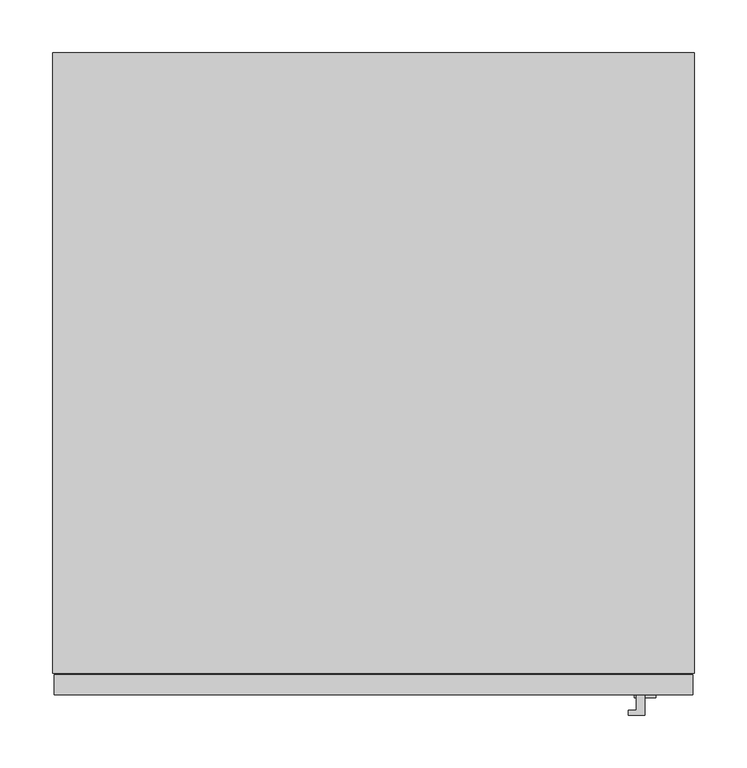
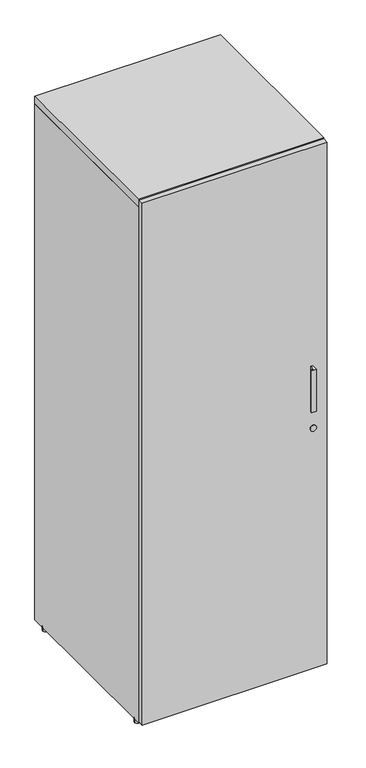
"""IFC4 building model written with IfcOpenShell, lengths in millimetres: furniture geometry."""

from ifc_helpers import new_model, si_unit, point, frame, frame_2d, origin, origin_with_axes, place, context, project, spatial, polyline, circle_curve, trimmed, segment, composite_curve, outline, extrude, source, transform, mapped, element, save


def furniture_5f0cc840(model_context):
    return source(origin(), model_context, "Body", "SweptSolid", [
        extrude(outline(polyline([(562.61, -628.7721736), (546.7096, -628.7721736), (546.7096, -624.332), (554.6598, -624.332), (554.6598, -609.6), (562.61, -609.6), (562.61, -628.7721736)])), frame((0.0, 0.0, 920.75), z_axis=(0.0, 0.0, 1.0), x_axis=(1.0, 0.0, 0.0)), (0.0, 0.0, 1.0), 146.05),
        extrude(outline(composite_curve([segment(trimmed(circle_curve(frame_2d((850.9, 562.61)), 10.16), [point((850.9, 552.45))], [point((850.9, 572.77))], False, "CARTESIAN"), True, "CONTINUOUS"), segment(trimmed(circle_curve(frame_2d((850.9, 562.61)), 10.16), [point((850.9, 572.77))], [point((850.9, 552.45))], False, "CARTESIAN"), True, "CONTINUOUS")], self_intersect=False)), frame((0.0, -612.14, 0.0), z_axis=(0.0, 1.0, 0.0), x_axis=(0.0, 0.0, 1.0)), (0.0, 0.0, 1.0), 2.54),
        extrude(outline(polyline([(608.33, -590.55), (608.33, -609.6), (1.27, -609.6), (1.27, -590.55), (608.33, -590.55)])), frame((0.0, 0.0, 15.24), z_axis=(0.0, 0.0, 1.0), x_axis=(1.0, 0.0, 0.0)), (0.0, 0.0, 1.0), 1811.02),
        extrude(outline(composite_curve([segment(trimmed(circle_curve(frame_2d((10.16, -43.18)), 10.16), [point((0.0, -43.18))], [point((20.32, -43.18))], False, "CARTESIAN"), True, "CONTINUOUS"), segment(trimmed(circle_curve(frame_2d((10.16, -43.18)), 10.16), [point((20.32, -43.18))], [point((0.0, -43.18))], False, "CARTESIAN"), True, "CONTINUOUS")], self_intersect=False)), origin_with_axes(), (0.0, 0.0, 1.0), 12.7),
        extrude(outline(composite_curve([segment(trimmed(circle_curve(frame_2d((599.44, -43.18)), 10.16), [point((589.28, -43.18))], [point((609.6, -43.18))], False, "CARTESIAN"), True, "CONTINUOUS"), segment(trimmed(circle_curve(frame_2d((599.44, -43.18)), 10.16), [point((609.6, -43.18))], [point((589.28, -43.18))], False, "CARTESIAN"), True, "CONTINUOUS")], self_intersect=False)), origin_with_axes(), (0.0, 0.0, 1.0), 12.7),
        extrude(outline(composite_curve([segment(trimmed(circle_curve(frame_2d((10.16, -566.42)), 10.16), [point((0.0, -566.42))], [point((20.32, -566.42))], False, "CARTESIAN"), True, "CONTINUOUS"), segment(trimmed(circle_curve(frame_2d((10.16, -566.42)), 10.16), [point((20.32, -566.42))], [point((0.0, -566.42))], False, "CARTESIAN"), True, "CONTINUOUS")], self_intersect=False)), origin_with_axes(), (0.0, 0.0, 1.0), 12.7),
        extrude(outline(composite_curve([segment(trimmed(circle_curve(frame_2d((599.44, -566.42)), 10.16), [point((589.28, -566.42))], [point((609.6, -566.42))], False, "CARTESIAN"), True, "CONTINUOUS"), segment(trimmed(circle_curve(frame_2d((599.44, -566.42)), 10.16), [point((609.6, -566.42))], [point((589.28, -566.42))], False, "CARTESIAN"), True, "CONTINUOUS")], self_intersect=False)), origin_with_axes(), (0.0, 0.0, 1.0), 12.7),
        extrude(outline(polyline([(609.6, 0.0), (609.6, -589.28), (0.0, -589.28), (0.0, 0.0), (609.6, 0.0)])), frame((0.0, 0.0, 1803.4), z_axis=(0.0, 0.0, 1.0), x_axis=(1.0, 0.0, 0.0)), (0.0, 0.0, 1.0), 25.4),
        extrude(outline(polyline([(609.6, 0.0), (609.6, -589.28), (0.0, -589.28), (0.0, 0.0), (609.6, 0.0)])), frame((0.0, 0.0, 12.7), z_axis=(0.0, 0.0, 1.0), x_axis=(1.0, 0.0, 0.0)), (0.0, 0.0, 1.0), 1790.7),
    ])


if __name__ == "__main__":
    model = new_model("IFC4")
    model_context = context("Model", 3, world=origin())
    ifc_project = project(units=[si_unit("LENGTHUNIT", "METRE", prefix="MILLI")], contexts=[model_context])
    site = spatial("IfcSite", under=ifc_project)
    building = spatial("IfcBuilding", under=site)
    placement = place(None, origin())
    furniture_shape = furniture_5f0cc840(model_context)
    element("IfcFurniture", 1, at=placement, inside=building, context=model_context, shape_type="MappedRepresentation", body=[
        mapped(furniture_shape, transform((0.0, 0.0, 0.0), x_axis=(1.0, 0.0, 0.0), y_axis=(0.0, 1.0, 0.0), z_axis=(0.0, 0.0, 1.0))),
    ])
    save(model, "model.ifc")
